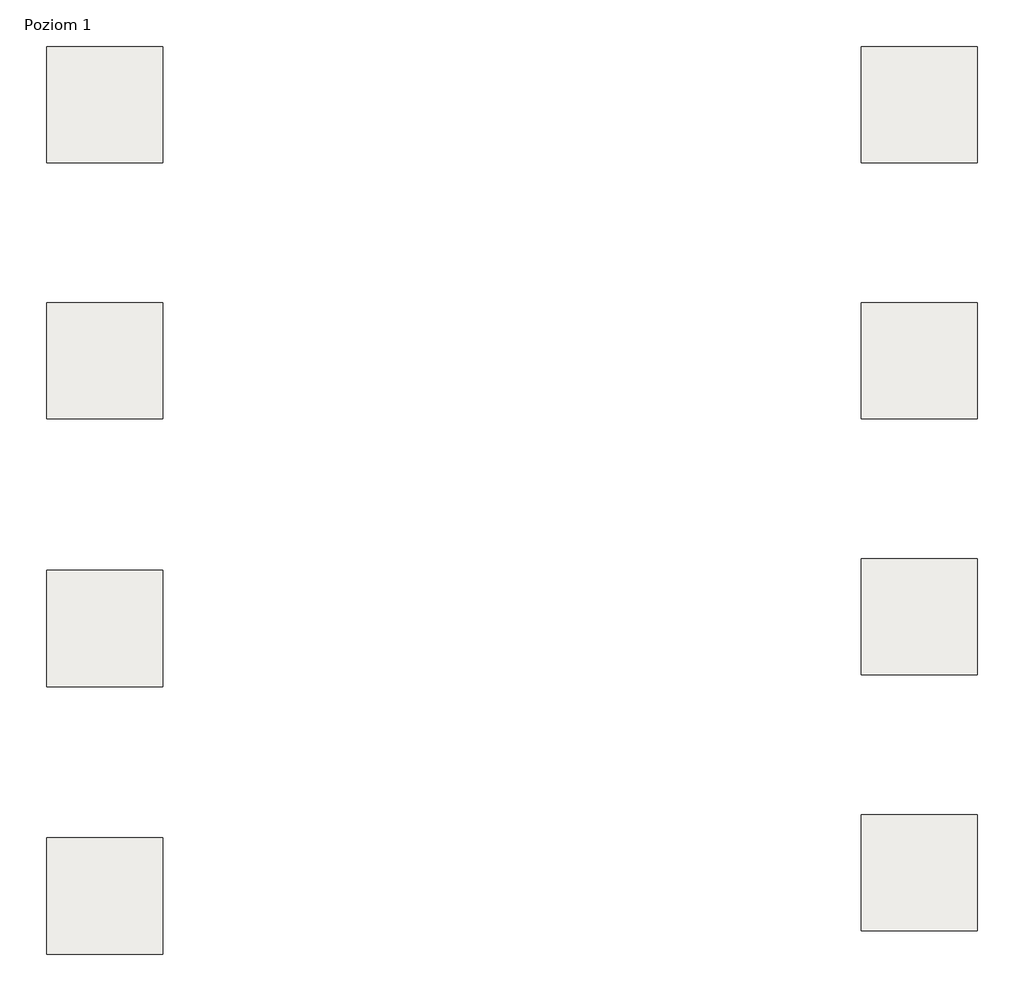
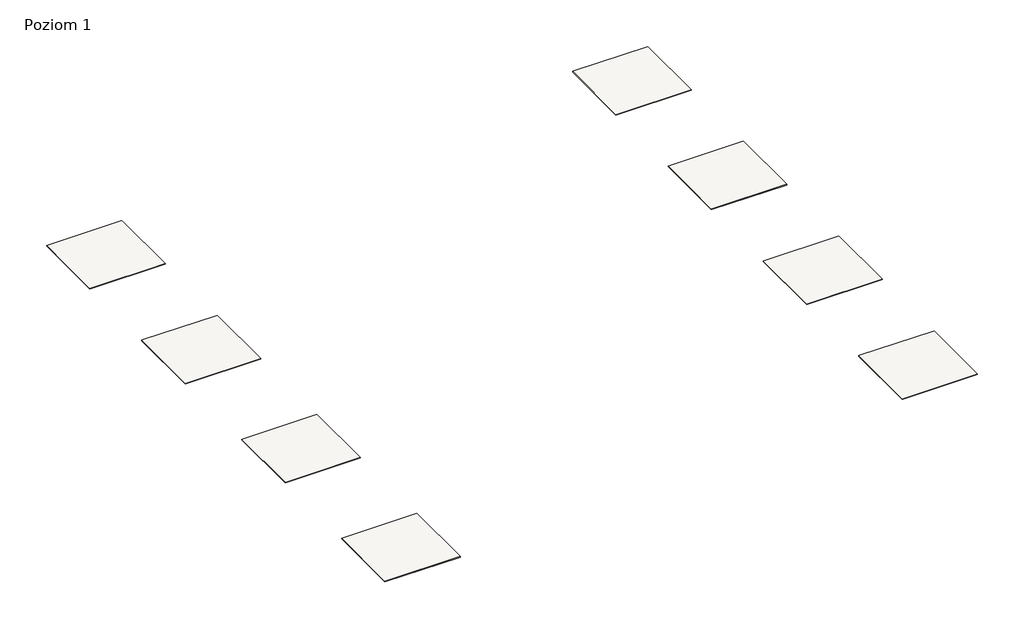
# One storey: 8 slabs.
"""IFC4 building model written with IfcOpenShell, lengths in millimetres."""

from ifc_helpers import new_model, si_unit, frame, origin, place, context, project, spatial, polyline, outline, extrude, element, save

model = new_model("IFC4")

# Units and contexts
model_context = context("Model", 3, world=origin())
ifc_project = project(units=[si_unit("LENGTHUNIT", "METRE", prefix="MILLI")], contexts=[model_context])

# Site, building, storey
site = spatial("IfcSite", under=ifc_project)
building = spatial("IfcBuilding", under=site)
storey = spatial("IfcBuildingStorey", under=building, Name="Poziom 1", Elevation=0.0)

# Slabs
placement = place(None, origin())
element("IfcSlab", 1, at=placement, inside=storey, context=model_context, shape_type="SweptSolid", body=[
    extrude(outline(polyline([(3036.5009197, 24640.1445193), (3036.5009197, 23640.1445193), (2036.5009197, 23640.1445193), (2036.5009197, 24640.1445193), (3036.5009197, 24640.1445193)])), frame((0.0, 0.0, -9.0), z_axis=(0.0, 0.0, 1.0), x_axis=(1.0, 0.0, 0.0)), (0.0, 0.0, 1.0), 9.0),
])
element("IfcSlab", 2, at=placement, inside=storey, context=model_context, shape_type="SweptSolid", body=[
    extrude(outline(polyline([(3036.5009197, 22440.1445193), (3036.5009197, 21440.1445193), (2036.5009197, 21440.1445193), (2036.5009197, 22440.1445193), (3036.5009197, 22440.1445193)])), frame((0.0, 0.0, -9.0), z_axis=(0.0, 0.0, 1.0), x_axis=(1.0, 0.0, 0.0)), (0.0, 0.0, 1.0), 9.0),
])
element("IfcSlab", 3, at=placement, inside=storey, context=model_context, shape_type="SweptSolid", body=[
    extrude(outline(polyline([(3036.5009197, 20140.1445193), (3036.5009197, 19140.1445193), (2036.5009197, 19140.1445193), (2036.5009197, 20140.1445193), (3036.5009197, 20140.1445193)])), frame((0.0, 0.0, -9.0), z_axis=(0.0, 0.0, 1.0), x_axis=(1.0, 0.0, 0.0)), (0.0, 0.0, 1.0), 9.0),
])
element("IfcSlab", 4, at=placement, inside=storey, context=model_context, shape_type="SweptSolid", body=[
    extrude(outline(polyline([(3036.5009197, 17840.1445193), (3036.5009197, 16840.1445193), (2036.5009197, 16840.1445193), (2036.5009197, 17840.1445193), (3036.5009197, 17840.1445193)])), frame((0.0, 0.0, -9.0), z_axis=(0.0, 0.0, 1.0), x_axis=(1.0, 0.0, 0.0)), (0.0, 0.0, 1.0), 9.0),
])
element("IfcSlab", 5, at=placement, inside=storey, context=model_context, shape_type="SweptSolid", body=[
    extrude(outline(polyline([(10036.5009197, 24640.1445193), (10036.5009197, 23640.1445193), (9036.5009197, 23640.1445193), (9036.5009197, 24640.1445193), (10036.5009197, 24640.1445193)])), frame((0.0, 0.0, -9.0), z_axis=(0.0, 0.0, 1.0), x_axis=(1.0, 0.0, 0.0)), (0.0, 0.0, 1.0), 9.0),
])
element("IfcSlab", 6, at=placement, inside=storey, context=model_context, shape_type="SweptSolid", body=[
    extrude(outline(polyline([(10036.5009197, 22440.1445193), (10036.5009197, 21440.1445193), (9036.5009197, 21440.1445193), (9036.5009197, 22440.1445193), (10036.5009197, 22440.1445193)])), frame((0.0, 0.0, -9.0), z_axis=(0.0, 0.0, 1.0), x_axis=(1.0, 0.0, 0.0)), (0.0, 0.0, 1.0), 9.0),
])
element("IfcSlab", 7, at=placement, inside=storey, context=model_context, shape_type="SweptSolid", body=[
    extrude(outline(polyline([(10036.5009197, 20240.1445193), (10036.5009197, 19240.1445193), (9036.5009197, 19240.1445193), (9036.5009197, 20240.1445193), (10036.5009197, 20240.1445193)])), frame((0.0, 0.0, -9.0), z_axis=(0.0, 0.0, 1.0), x_axis=(1.0, 0.0, 0.0)), (0.0, 0.0, 1.0), 9.0),
])
element("IfcSlab", 8, at=placement, inside=storey, context=model_context, shape_type="SweptSolid", body=[
    extrude(outline(polyline([(10036.5009197, 18040.1445193), (10036.5009197, 17040.1445193), (9036.5009197, 17040.1445193), (9036.5009197, 18040.1445193), (10036.5009197, 18040.1445193)])), frame((0.0, 0.0, -9.0), z_axis=(0.0, 0.0, 1.0), x_axis=(1.0, 0.0, 0.0)), (0.0, 0.0, 1.0), 9.0),
])

save(model, "model.ifc")
